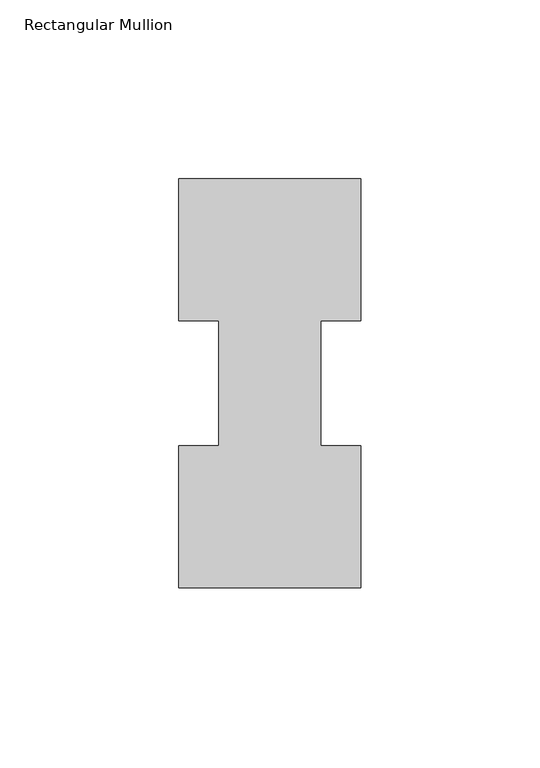
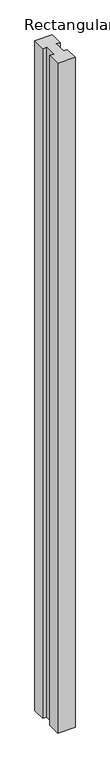
"""IFC4 building model written with IfcOpenShell, lengths in millimetres: member geometry, Rectangular Mullion."""

from ifc_helpers import new_model, si_unit, frame, origin, place, context, project, spatial, polyline, outline, extrude, source, transform, mapped, element, save


def rectangular_mullion_2f66c64f(model_context):
    return source(origin(), model_context, "Body", "SweptSolid", [
        extrude(outline(polyline([(25.4, 114.271425), (25.4, 74.596625), (14.2875, 74.596625), (14.2875, 39.646225), (25.4, 39.646225), (25.4, -0.028575), (-25.4, -0.028575), (-25.4, 39.646225), (-14.2875, 39.646225), (-14.2875, 74.596625), (-25.4, 74.596625), (-25.4, 114.271425), (25.4, 114.271425)])), frame((0.0, 0.0, -2060.575), z_axis=(0.0, 0.0, 1.0), x_axis=(1.0, 0.0, 0.0)), (0.0, 0.0, 1.0), 2060.575),
    ])


if __name__ == "__main__":
    model = new_model("IFC4")
    model_context = context("Model", 3, world=origin())
    ifc_project = project(units=[si_unit("LENGTHUNIT", "METRE", prefix="MILLI")], contexts=[model_context])
    site = spatial("IfcSite", under=ifc_project)
    building = spatial("IfcBuilding", under=site)
    placement = place(None, origin())
    rectangular_mullion_shape = rectangular_mullion_2f66c64f(model_context)
    element("IfcMember", 1, ObjectType="Rectangular Mullion", at=placement, inside=building, context=model_context, shape_type="MappedRepresentation", body=[
        mapped(rectangular_mullion_shape, transform((0.0, 0.0, 0.0), x_axis=(1.0, 0.0, 0.0), y_axis=(0.0, 1.0, 0.0), z_axis=(0.0, 0.0, 1.0))),
    ])
    save(model, "model.ifc")
